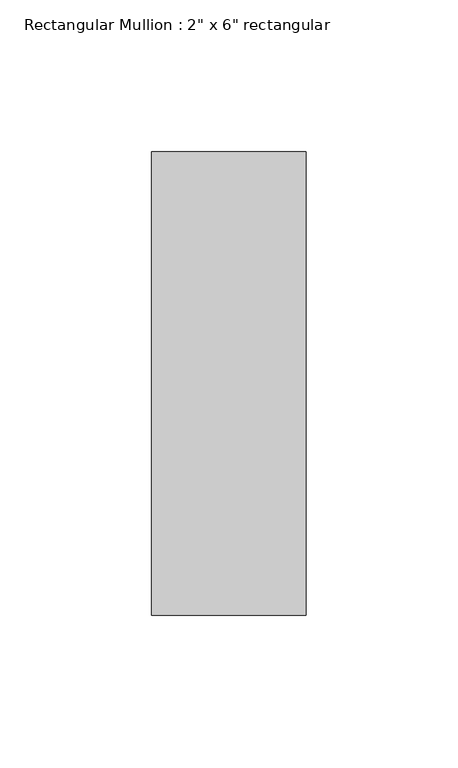
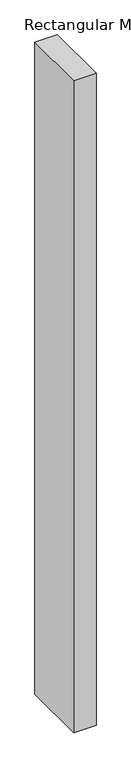
"""IFC4 building model written with IfcOpenShell, lengths in millimetres: member geometry."""

from ifc_helpers import new_model, si_unit, frame, origin, place, context, project, spatial, polyline, outline, extrude, source, transform, mapped, element, save


def member_a5dcba81(model_context):
    return source(origin(), model_context, "Body", "SweptSolid", [
        extrude(outline(polyline([(0.0, 76.2), (0.0, -76.2), (-50.8, -76.2), (-50.8, 76.2), (0.0, 76.2)])), frame((0.0, 0.0, -1564.64), z_axis=(0.0, 0.0, 1.0), x_axis=(1.0, 0.0, 0.0)), (0.0, 0.0, 1.0), 1564.64),
    ])


if __name__ == "__main__":
    model = new_model("IFC4")
    model_context = context("Model", 3, world=origin())
    ifc_project = project(units=[si_unit("LENGTHUNIT", "METRE", prefix="MILLI")], contexts=[model_context])
    site = spatial("IfcSite", under=ifc_project)
    building = spatial("IfcBuilding", under=site)
    placement = place(None, origin())
    member_shape = member_a5dcba81(model_context)
    element("IfcMember", 1, ObjectType="Rectangular Mullion : 2\" x 6\" rectangular", at=placement, inside=building, context=model_context, shape_type="MappedRepresentation", body=[
        mapped(member_shape, transform((0.0, 0.0, 0.0), x_axis=(1.0, 0.0, 0.0), y_axis=(0.0, 1.0, 0.0), z_axis=(0.0, 0.0, 1.0))),
    ])
    save(model, "model.ifc")
